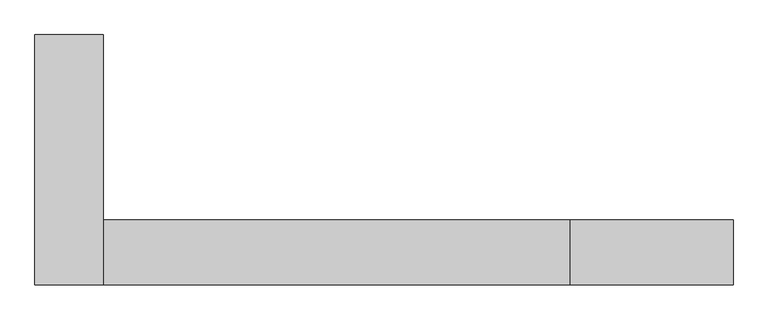
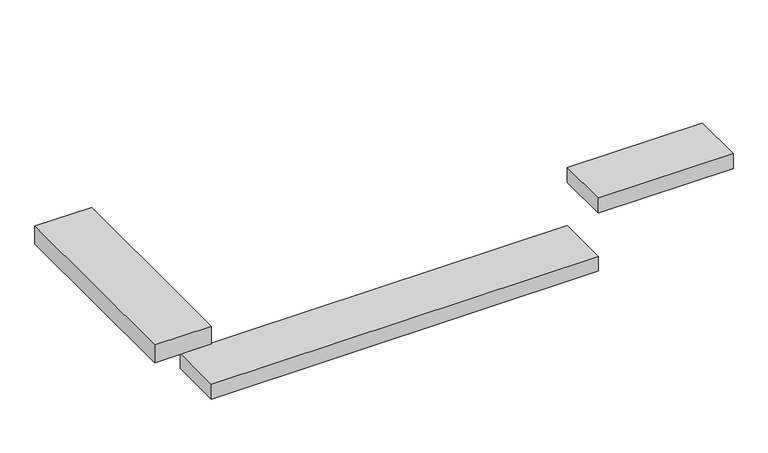
"""IFC4 building model written with IfcOpenShell, lengths in millimetres: proxy geometry."""

import ifcopenshell
import ifcopenshell.guid

model = None  # the IFC model being written
_history = None  # IfcOwnerHistory: only IFC2X3 demands one
_inside = {}  # id of a spatial element -> (the spatial element, [elements in it])
_under = {}  # id of a project, library or spatial element -> (it, [spatial elements below it])
_declared = {}  # id of a project -> (the project, [libraries it declares])
_typed = {}  # id of a type object -> (the type object, [elements of that type])
_made_of = {}  # id of a material, layer set ... -> (it, [elements and type objects made of it])


def new_model(schema):
    """Start an empty IFC model of exactly this schema.

    Asked for "IFC4X3", IfcOpenShell would pick the latest addendum, in which some entities
    have other attributes; the version numbers below select the first issue.
    IFC2X3 requires an IfcOwnerHistory on every rooted entity: one is made here for all.
    """
    global model, _history
    if schema == "IFC4X3":
        model = ifcopenshell.file(schema_version=(4, 3, 0, 0))
    else:
        model = ifcopenshell.file(schema=schema)
    _inside.clear()
    _under.clear()
    _declared.clear()
    _typed.clear()
    _made_of.clear()
    _history = None
    if model.schema == "IFC2X3":
        org = make("IfcOrganization", Name="unknown")
        user = make(
            "IfcPersonAndOrganization",
            ThePerson=make("IfcPerson", FamilyName="unknown"),
            TheOrganization=org,
        )
        app = make(
            "IfcApplication",
            ApplicationDeveloper=org,
            Version="unknown",
            ApplicationFullName="unknown",
            ApplicationIdentifier="unknown",
        )
        _history = make(
            "IfcOwnerHistory",
            OwningUser=user,
            OwningApplication=app,
            ChangeAction="ADDED",
            CreationDate=0,
        )
    return model


def make(cls, **values):
    """One entity of the class cls with the attributes given. An attribute that is None is left unset."""
    return model.create_entity(
        cls, **{name: value for name, value in values.items() if value is not None}
    )


def rooted(cls, **values):
    """An entity with a GlobalId (a new one), such as an element, a storey or a relation."""
    return make(cls, GlobalId=ifcopenshell.guid.new(), OwnerHistory=_history, **values)


def si_unit(unit_type, name, prefix=None):
    """IfcSIUnit, for example si_unit("LENGTHUNIT", "METRE", prefix="MILLI")."""
    return make("IfcSIUnit", UnitType=unit_type, Prefix=prefix, Name=name)


def assignment(units):
    """IfcUnitAssignment: the units of a project."""
    return None if units is None else make("IfcUnitAssignment", Units=units)


def point(xyz):
    """IfcCartesianPoint."""
    return None if xyz is None else make("IfcCartesianPoint", Coordinates=xyz)


def direction(xyz):
    """IfcDirection."""
    return None if xyz is None else make("IfcDirection", DirectionRatios=xyz)


def frame(location, z_axis=None, x_axis=None):
    """IfcAxis2Placement3D, a coordinate frame: its origin and axes. An axis left out is left unset."""
    return make(
        "IfcAxis2Placement3D",
        Location=point(location),
        Axis=direction(z_axis),
        RefDirection=direction(x_axis),
    )


def origin():
    """The frame at (0, 0, 0) with its axes left unset."""
    return frame((0.0, 0.0, 0.0))


def place(relative_to, where):
    """IfcLocalPlacement: puts the frame where relative to a parent placement (None: the world)."""
    return make(
        "IfcLocalPlacement", PlacementRelTo=relative_to, RelativePlacement=where
    )


def context(
    kind, dimensions, precision=None, world=None, true_north=None, identifier=None
):
    """IfcGeometricRepresentationContext, for example the 3D "Model" context."""
    return make(
        "IfcGeometricRepresentationContext",
        ContextIdentifier=identifier,
        ContextType=kind,
        CoordinateSpaceDimension=dimensions,
        Precision=precision,
        WorldCoordinateSystem=world,
        TrueNorth=true_north,
    )


def project(units=None, contexts=None):
    """IfcProject with its units and contexts."""
    return rooted(
        "IfcProject",
        Name="project",
        RepresentationContexts=contexts,
        UnitsInContext=assignment(units),
    )


def spatial(cls, under=None, at=None, **own):
    """A site, building, storey or space (cls), placed at a placement, below another one or the project."""
    s = rooted(cls, ObjectPlacement=at, **own)
    if under is not None:
        _under.setdefault(under.id(), (under, []))[1].append(s)
    return s


def faces_of(points, faces, orient=None, outer=None):
    """IfcFace entities. A face is a list of loops; a loop is a list of indices into points, from 0.

    orient and outer hold one flag for each loop. By default every Orientation is true, the
    first loop of a face is its IfcFaceOuterBound and the others are IfcFaceBound.
    """
    made = []
    for i, loops in enumerate(faces):
        bounds = []
        for j, loop in enumerate(loops):
            is_outer = j == 0 if outer is None else outer[i][j]
            bounds.append(
                make(
                    "IfcFaceOuterBound" if is_outer else "IfcFaceBound",
                    Bound=make("IfcPolyLoop", Polygon=[points[k] for k in loop]),
                    Orientation=True if orient is None else orient[i][j],
                )
            )
        made.append(make("IfcFace", Bounds=bounds))
    return made


def faceted_brep(points, faces, orient=None, outer=None, voids=None):
    """IfcFacetedBrep: a solid bounded by flat faces; with voids (closed shells), ...WithVoids."""
    shared = [point(p) for p in points]
    hull = make("IfcClosedShell", CfsFaces=faces_of(shared, faces, orient, outer))
    if voids is None:
        return make("IfcFacetedBrep", Outer=hull)
    return make(
        "IfcFacetedBrepWithVoids",
        Outer=hull,
        Voids=[
            make(cls, CfsFaces=faces_of(shared, fs, o, b)) for cls, fs, o, b in voids
        ],
    )


def shape(context_of_items, identifier, shape_type, items):
    """IfcShapeRepresentation: the items that make up one representation, for example the "Body"."""
    return make(
        "IfcShapeRepresentation",
        ContextOfItems=context_of_items,
        RepresentationIdentifier=identifier,
        RepresentationType=shape_type,
        Items=items,
    )


def source(mapping_origin, context_of_items, identifier, shape_type, items):
    """IfcRepresentationMap: a shape defined once, which mapped items show again and again."""
    return make(
        "IfcRepresentationMap",
        MappingOrigin=mapping_origin,
        MappedRepresentation=shape(context_of_items, identifier, shape_type, items),
    )


def transform(
    local_origin,
    x_axis=None,
    y_axis=None,
    z_axis=None,
    scale=None,
    scale2=None,
    scale3=None,
    uniform=True,
):
    """IfcCartesianTransformationOperator3D, or its non-uniform kind. x_axis, y_axis, z_axis: its Axis1, 2, 3."""
    if uniform:
        return make(
            "IfcCartesianTransformationOperator3D",
            Axis1=direction(x_axis),
            Axis2=direction(y_axis),
            LocalOrigin=point(local_origin),
            Scale=scale,
            Axis3=direction(z_axis),
        )
    return make(
        "IfcCartesianTransformationOperator3DnonUniform",
        Axis1=direction(x_axis),
        Axis2=direction(y_axis),
        LocalOrigin=point(local_origin),
        Scale=scale,
        Axis3=direction(z_axis),
        Scale2=scale2,
        Scale3=scale3,
    )


def mapped(mapping_source, mapping_target):
    """IfcMappedItem: shows the shape of a source again, moved by a transform."""
    return make(
        "IfcMappedItem", MappingSource=mapping_source, MappingTarget=mapping_target
    )


def made_of(thing, what):
    """Note that an element or type object is made of a material, layer set ...; save() writes the relation."""
    if what is not None:
        _made_of.setdefault(what.id(), (what, []))[1].append(thing)
    return thing


def element(
    cls,
    number,
    at=None,
    inside=None,
    cuts=None,
    type_object=None,
    material=None,
    context=None,
    identifier="Body",
    shape_type=None,
    held_by="IfcProductDefinitionShape",
    body=None,
    shapes=None,
    **own,
):
    """One element of the class cls, such as IfcWall. Its Tag is "e" and its number.

    at: its placement. inside: the storey or other place that contains it. cuts: it is an
    opening in that element (IfcRelVoidsElement). A single representation is given by context,
    identifier, shape_type and body (its items); several are given by shapes. held_by: the class
    of the entity that holds the representations. save() writes the other relations.
    """
    e = rooted(cls, Tag="e%d" % number, ObjectPlacement=at, **own)
    if body is not None:
        shapes = [shape(context, identifier, shape_type, body)]
    if shapes is not None:
        e.Representation = make(held_by, Representations=shapes)
    if inside is not None:
        _inside.setdefault(inside.id(), (inside, []))[1].append(e)
    if cuts is not None:
        rooted(
            "IfcRelVoidsElement", RelatingBuildingElement=cuts, RelatedOpeningElement=e
        )
    if type_object is not None:
        _typed.setdefault(type_object.id(), (type_object, []))[1].append(e)
    return made_of(e, material)


def aggregate(whole, parts):
    """IfcRelAggregates: a whole, such as a stair, and the parts it consists of."""
    return rooted("IfcRelAggregates", RelatingObject=whole, RelatedObjects=parts)


def save(model, path):
    """Write the relations noted so far, then the file.

    IfcRelAggregates (storeys below a building ...), IfcRelContainedInSpatialStructure (elements
    in a storey), IfcRelDefinesByType, IfcRelAssociatesMaterial and IfcRelDeclares: one each for
    every whole, place, type object, material and project.
    """
    for whole, parts in _under.values():
        aggregate(whole, parts)
    for where, things in _inside.values():
        rooted(
            "IfcRelContainedInSpatialStructure",
            RelatedElements=things,
            RelatingStructure=where,
        )
    for kind, things in _typed.values():
        rooted("IfcRelDefinesByType", RelatedObjects=things, RelatingType=kind)
    for what, things in _made_of.values():
        rooted("IfcRelAssociatesMaterial", RelatedObjects=things, RelatingMaterial=what)
    for by, libraries in _declared.values():
        rooted("IfcRelDeclares", RelatingContext=by, RelatedDefinitions=libraries)
    model.write(path)


def generic_models_1ce1b925(model_context):
    return source(origin(), model_context, "Body", "Brep", [
        faceted_brep([(-5571.2170004, -5444.4065013, 4500.0), (-5571.2170004, -5444.4065013, 4620.0), (-5931.2170004, -5444.4065013, 4620.0), (-5931.2170004, -5444.4065013, 4500.0), (-5571.2170004, -4129.2842385, 4500.0), (-5931.2170004, -4129.2842385, 4500.0), (-5931.2170004, -4129.2842385, 4620.0), (-5571.2170004, -4129.2842385, 4620.0), (-5571.2170004, -5104.2842385, 4500.0), (-5571.2170004, -5104.2842385, 4620.0)], [[[0, 1, 2, 3]], [[4, 5, 6, 7]], [[1, 0, 8, 4, 7, 9]], [[2, 1, 9, 7, 6]], [[3, 2, 6, 5]], [[0, 3, 5, 4, 8]]]),
        faceted_brep([(-3116.2170004, -5444.4065013, 4130.000718), (-3116.2170004, -5444.4065013, 4229.9553263), (-5571.2170004, -5444.4065013, 4229.9553263), (-5571.2170004, -5444.4065013, 4130.000718), (-3116.2170004, -5104.2842385, 4130.000718), (-3116.2170004, -5104.2842385, 4229.9553263), (-5571.2170004, -5104.2842385, 4229.9553263), (-5571.2170004, -5104.2842385, 4130.000718)], [[[0, 1, 2, 3]], [[1, 0, 4, 5]], [[2, 1, 5, 6]], [[3, 2, 6, 7]], [[0, 3, 7, 4]], [[5, 4, 7, 6]]]),
        faceted_brep([(-2261.2170004, -5444.4065013, 4520.0), (-2261.2170004, -5444.4065013, 4620.0), (-3116.2170004, -5444.4065013, 4620.0), (-3116.2170004, -5444.4065013, 4520.0), (-2261.2170004, -5104.2842385, 4520.0), (-2261.2170004, -5104.2842385, 4620.0), (-3116.2170004, -5104.2842385, 4620.0), (-3116.2170004, -5104.2842385, 4520.0)], [[[0, 1, 2, 3]], [[1, 0, 4, 5]], [[2, 1, 5, 6]], [[3, 2, 6, 7]], [[0, 3, 7, 4]], [[5, 4, 7, 6]]]),
    ])


if __name__ == "__main__":
    model = new_model("IFC4")
    model_context = context("Model", 3, world=origin())
    ifc_project = project(units=[si_unit("LENGTHUNIT", "METRE", prefix="MILLI")], contexts=[model_context])
    site = spatial("IfcSite", under=ifc_project)
    building = spatial("IfcBuilding", under=site)
    placement = place(None, origin())
    generic_models_shape = generic_models_1ce1b925(model_context)
    element("IfcBuildingElementProxy", 1, Name="Generic Models", at=placement, inside=building, context=model_context, shape_type="MappedRepresentation", body=[
        mapped(generic_models_shape, transform((0.0, 0.0, 0.0), x_axis=(1.0, 0.0, 0.0), y_axis=(0.0, 1.0, 0.0), z_axis=(0.0, 0.0, 1.0))),
    ])
    save(model, "model.ifc")
